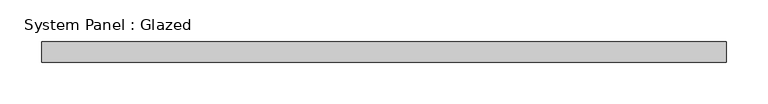
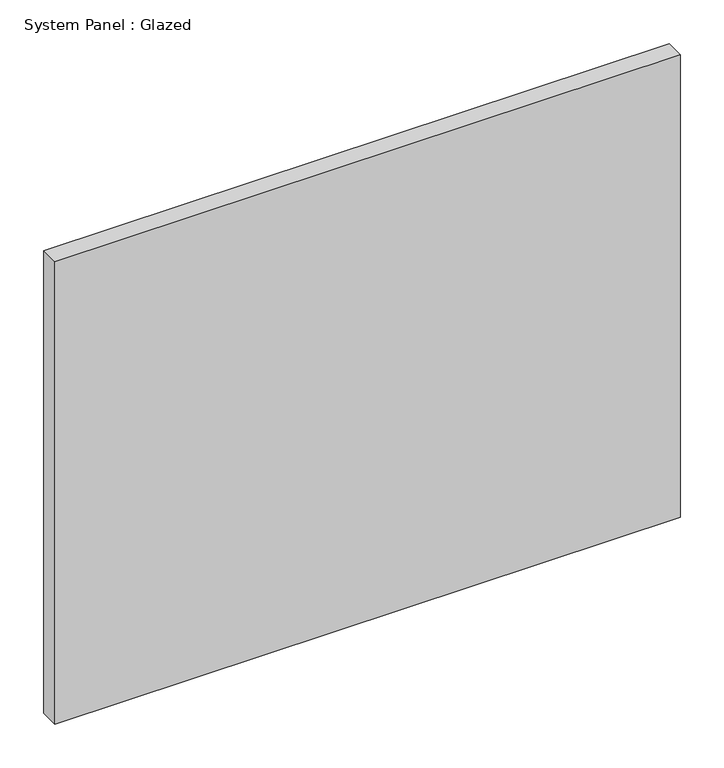
"""IFC4 building model written with IfcOpenShell, lengths in millimetres: plate geometry, System Panel : Glazed."""

from ifc_helpers import new_model, si_unit, origin, origin_with_axes, place, context, project, spatial, polyline, outline, extrude, source, transform, mapped, element, save


def system_panel_glazed_6a4e26df(model_context):
    return source(origin(), model_context, "Body", "SweptSolid", [
        extrude(outline(polyline([(412.5, 24.5), (-412.5, 24.5), (-412.5, 49.5), (412.5, 49.5), (412.5, 24.5)])), origin_with_axes(), (0.0, 0.0, 1.0), 645.0),
    ])


if __name__ == "__main__":
    model = new_model("IFC4")
    model_context = context("Model", 3, world=origin())
    ifc_project = project(units=[si_unit("LENGTHUNIT", "METRE", prefix="MILLI")], contexts=[model_context])
    site = spatial("IfcSite", under=ifc_project)
    building = spatial("IfcBuilding", under=site)
    placement = place(None, origin())
    system_panel_glazed_shape = system_panel_glazed_6a4e26df(model_context)
    element("IfcPlate", 1, ObjectType="System Panel : Glazed", at=placement, inside=building, context=model_context, shape_type="MappedRepresentation", body=[
        mapped(system_panel_glazed_shape, transform((0.0, 0.0, 0.0), x_axis=(1.0, 0.0, 0.0), y_axis=(0.0, 1.0, 0.0), z_axis=(0.0, 0.0, 1.0))),
    ])
    save(model, "model.ifc")
